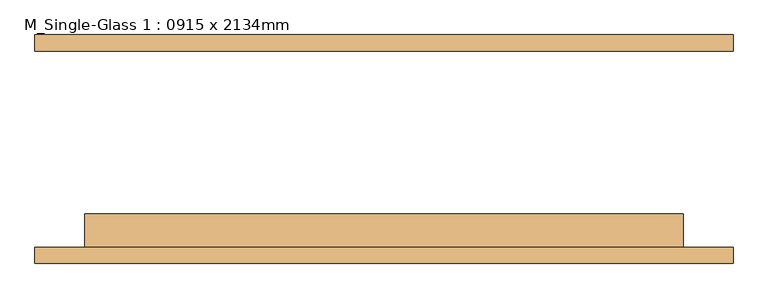
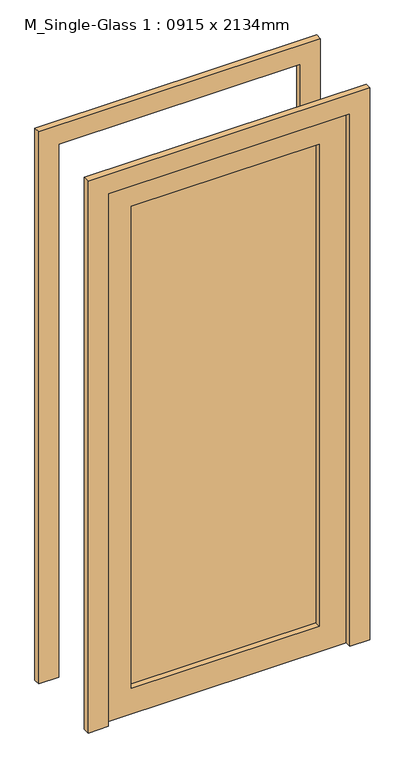
"""IFC4 building model written with IfcOpenShell, lengths in millimetres: door geometry, M_Single-Glass 1 : 0915 x 2134mm."""

from ifc_helpers import new_model, si_unit, frame, origin, place, context, project, spatial, polyline, outline, extrude, source, transform, mapped, element, save


def m_single_glass_1_0915_x_2134mm_7ff24dd7(model_context):
    return source(origin(), model_context, "Body", "SweptSolid", [
        extrude(outline(polyline([(2134.0, 457.5), (0.0, 457.5), (0.0, 533.5), (2210.0, 533.5), (2210.0, -533.5), (0.0, -533.5), (0.0, -457.5), (2134.0, -457.5), (2134.0, 457.5)])), frame((0.0, 150.0, 0.0), z_axis=(0.0, 1.0, 0.0), x_axis=(0.0, 0.0, 1.0)), (0.0, 0.0, 1.0), 25.0),
        extrude(outline(polyline([(2134.0, 457.5), (0.0, 457.5), (0.0, 533.5), (2210.0, 533.5), (2210.0, -533.5), (0.0, -533.5), (0.0, -457.5), (2134.0, -457.5), (2134.0, 457.5)])), frame((0.0, -175.0, 0.0), z_axis=(0.0, 1.0, 0.0), x_axis=(0.0, 0.0, 1.0)), (0.0, 0.0, 1.0), 25.0),
        extrude(outline(polyline([(355.5, -121.425), (355.5, -127.775), (-355.5, -127.775), (-355.5, -121.425), (355.5, -121.425)])), frame((0.0, 0.0, 102.0), z_axis=(0.0, 0.0, 1.0), x_axis=(1.0, 0.0, 0.0)), (0.0, 0.0, 1.0), 1930.0),
        extrude(outline(polyline([(2134.0, 457.5), (2134.0, -457.5), (0.0, -457.5), (0.0, 457.5), (2134.0, 457.5)]), holes=[polyline([(2032.0, -355.5), (2032.0, 355.5), (102.0, 355.5), (102.0, -355.5), (2032.0, -355.5)])]), frame((0.0, -150.0, 0.0), z_axis=(0.0, 1.0, 0.0), x_axis=(0.0, 0.0, 1.0)), (0.0, 0.0, 1.0), 51.0),
    ])


if __name__ == "__main__":
    model = new_model("IFC4")
    model_context = context("Model", 3, world=origin())
    ifc_project = project(units=[si_unit("LENGTHUNIT", "METRE", prefix="MILLI")], contexts=[model_context])
    site = spatial("IfcSite", under=ifc_project)
    building = spatial("IfcBuilding", under=site)
    placement = place(None, origin())
    m_single_glass_1_0915_x_2134mm_shape = m_single_glass_1_0915_x_2134mm_7ff24dd7(model_context)
    element("IfcDoor", 1, ObjectType="M_Single-Glass 1 : 0915 x 2134mm", at=placement, inside=building, context=model_context, shape_type="MappedRepresentation", body=[
        mapped(m_single_glass_1_0915_x_2134mm_shape, transform((0.0, 0.0, 0.0), x_axis=(1.0, 0.0, 0.0), y_axis=(0.0, 1.0, 0.0), z_axis=(0.0, 0.0, 1.0))),
    ])
    save(model, "model.ifc")
